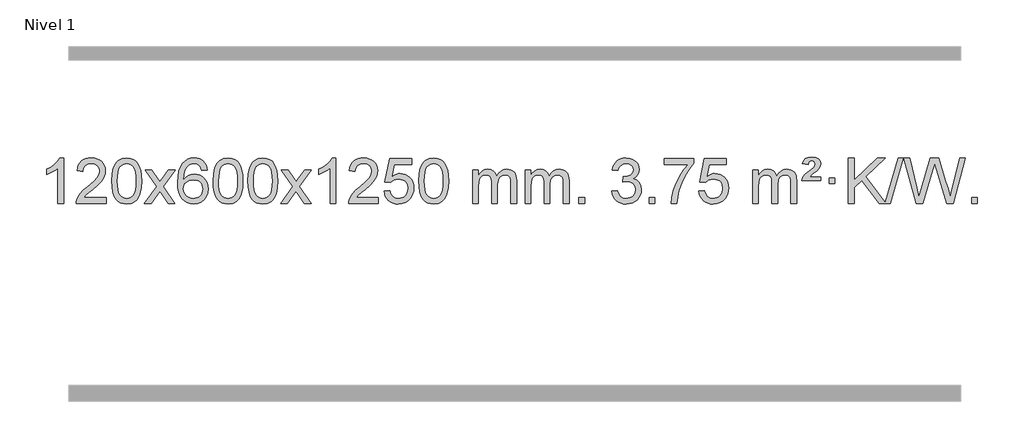
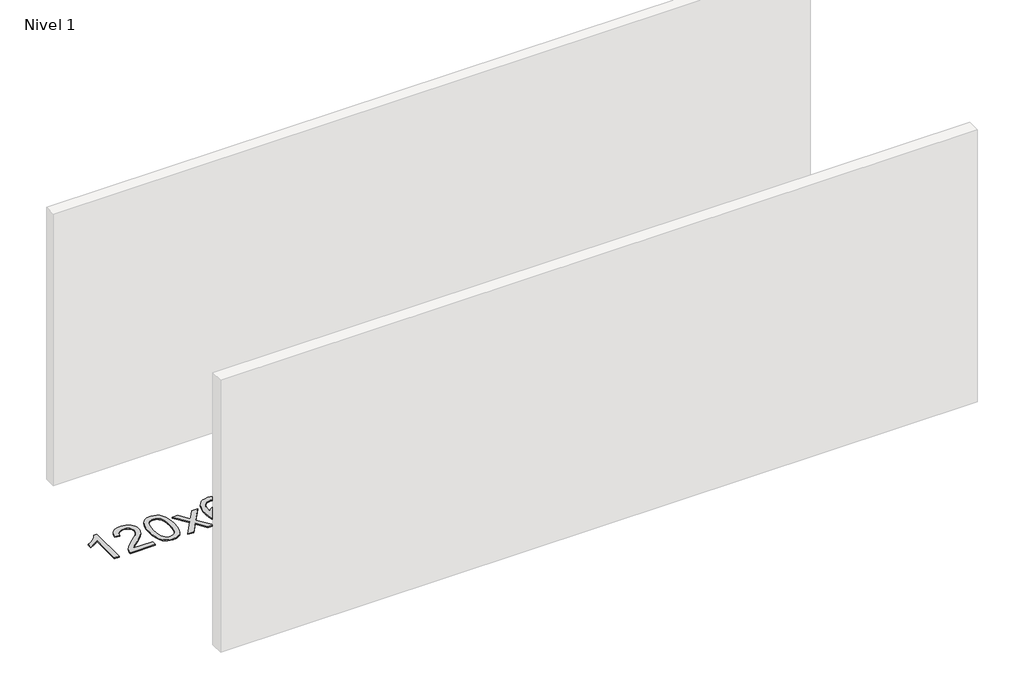
# One storey, part 4 of 9: 1 proxy.
"""IFC4 building model written with IfcOpenShell, lengths in millimetres."""

from ifc_helpers import new_model, si_unit, origin, origin_with_axes, place, context, project, spatial, polyline, outline, extrude, element, save

model = new_model("IFC4")

# Units and contexts
model_context = context("Model", 3, world=origin())
ifc_project = project(units=[si_unit("LENGTHUNIT", "METRE", prefix="MILLI")], contexts=[model_context])

# Site, building, storey
site = spatial("IfcSite", under=ifc_project)
building = spatial("IfcBuilding", under=site)
storey = spatial("IfcBuildingStorey", under=building, Name="Nivel 1", Elevation=0.0)

# Proxy
placement = place(None, origin())
element("IfcBuildingElementProxy", 1, Name="Texto de modelo 1", ObjectType="Texto de modelo 1", at=placement, inside=storey, context=model_context, shape_type="SweptSolid", body=[
    extrude(outline(polyline([(-6575.4615788, -12395.579453), (-6625.6897338, -12395.579453), (-6625.6897338, -12082.4382987), (-6646.6590076, -12099.3976587), (-6673.2691385, -12116.3324932), (-6726.146044, -12141.6918254), (-6726.146044, -12094.2105225), (-6686.6968314, -12072.7507395), (-6652.520594, -12047.219729), (-6625.5793692, -12020.0700378), (-6607.8351943, -11993.7542124), (-6575.4615788, -11993.7542124), (-6575.4615788, -12395.579453)])), origin_with_axes(), (0.0, 0.0, 1.0), 10.0),
    extrude(outline(polyline([(-6198.7504157, -12345.3512979), (-6198.7504157, -12395.579453), (-6462.4482298, -12395.579453), (-6461.3445839, -12377.8965918), (-6457.0526273, -12360.9494945), (-6444.6672667, -12333.8856424), (-6426.5429471, -12307.6311307), (-6400.3252236, -12280.1503456), (-6363.6596514, -12249.4076736), (-6309.4583708, -12201.2641831), (-6276.9376024, -12165.7267824), (-6260.6772182, -12136.884834), (-6255.2570902, -12108.8277005), (-6260.3706499, -12083.6768347), (-6275.7113291, -12062.7688747), (-6299.292565, -12048.6789943), (-6329.1277948, -12043.9823675), (-6360.4590781, -12048.5686297), (-6384.8006034, -12062.3274163), (-6400.5091646, -12084.1796068), (-6405.9415554, -12113.0460807), (-6456.1697105, -12106.7675613), (-6451.8501627, -12080.838012), (-6443.9928164, -12058.1826125), (-6432.5976716, -12038.8013627), (-6417.6647283, -12022.6942627), (-6399.537343, -12010.0329907), (-6378.5588722, -12000.989225), (-6354.729316, -11995.5629655), (-6328.0486743, -11993.7542124), (-6301.1289093, -11995.7653006), (-6277.1705943, -12001.7985654), (-6256.1737295, -12011.8540066), (-6238.1383147, -12025.9316242), (-6223.6529611, -12042.9890861), (-6213.30628, -12061.9840598), (-6207.0982713, -12082.9165453), (-6205.0289351, -12105.7865427), (-6207.2607525, -12129.8092369), (-6213.9562048, -12153.4149983), (-6225.8387933, -12177.4254299), (-6243.6320191, -12202.6621347), (-6271.9957209, -12232.7916701), (-6315.5897374, -12271.4805933), (-6373.3717361, -12319.795762), (-6396.033267, -12345.3512979), (-6198.7504157, -12345.3512979)])), origin_with_axes(), (0.0, 0.0, 1.0), 10.0),
    extrude(outline(polyline([(-6148.5222606, -12197.9041943), (-6144.8311779, -12133.5861588), (-6133.7579299, -12082.2911459), (-6115.4128811, -12043.2343407), (-6103.5548181, -12028.0009605), (-6089.9063961, -12015.6309284), (-6074.4216298, -12006.0598651), (-6057.0545339, -11999.2233914), (-6016.6733536, -11993.7542124), (-5985.722215, -11996.991574), (-5958.0084381, -12006.7036586), (-5934.8318724, -12022.5103217), (-5917.4923677, -12044.0314184), (-5904.3957686, -12071.0830078), (-5893.94792, -12103.4811488), (-5887.1053149, -12144.6226186), (-5884.8244465, -12197.9041943), (-5888.478741, -12261.8543477), (-5899.4416244, -12313.0267333), (-5917.6763087, -12352.1203266), (-5929.5067805, -12367.3996922), (-5943.1460055, -12379.8341036), (-5958.6491659, -12389.4695462), (-5976.071444, -12396.3520052), (-6016.6733536, -12401.8579724), (-6044.3380796, -12399.4667394), (-6068.8635459, -12392.2930405), (-6090.2497526, -12380.3368757), (-6108.4966996, -12363.5982449), (-6126.0078825, -12333.3399508), (-6138.5158704, -12295.6381776), (-6146.0206631, -12250.4929255), (-6148.5222606, -12197.9041943)]), holes=[polyline([(-6098.2941056, -12197.8060924), (-6096.8225776, -12241.4706195), (-6092.4079936, -12276.8148822), (-6085.0503537, -12303.8388804), (-6074.7496579, -12322.5426142), (-6062.290721, -12335.2682656), (-6048.4583579, -12344.3580165), (-6033.2525688, -12349.8118671), (-6016.6733536, -12351.6298173), (-6000.0941383, -12349.8057357), (-5984.8883492, -12344.3334911), (-5971.0559862, -12335.2130833), (-5958.5970493, -12322.4445124), (-5948.2963534, -12303.7101217), (-5940.9387135, -12276.6922549), (-5936.5241295, -12241.3909118), (-5935.0526016, -12197.8060924), (-5936.4750786, -12155.2973278), (-5940.7425098, -12120.5753989), (-5947.854895, -12093.6403055), (-5957.8122343, -12074.4920476), (-5970.0627048, -12061.1440625), (-5984.0544833, -12051.6097875), (-5999.78757, -12045.8892225), (-6017.2619648, -12043.9823675), (-6033.7553409, -12045.6623619), (-6048.7036126, -12050.7023452), (-6062.10678, -12059.1023175), (-6073.9648429, -12070.8622786), (-6084.6088953, -12091.708925), (-6092.2117899, -12119.8151094), (-6096.7735266, -12155.1808319), (-6098.2941056, -12197.8060924)])]), origin_with_axes(), (0.0, 0.0, 1.0), 10.0),
    extrude(outline(polyline([(-5859.7103689, -12395.579453), (-5752.3869282, -12247.2494325), (-5853.4318496, -12100.4890419), (-5793.0011005, -12100.4890419), (-5744.2444734, -12171.122385), (-5721.4848406, -12204.4770192), (-5701.7663657, -12177.2047007), (-5646.2407099, -12100.4890419), (-5585.8099608, -12100.4890419), (-5691.9561791, -12247.2494325), (-5589.7340354, -12395.579453), (-5650.1647845, -12395.579453), (-5711.6746541, -12306.4048574), (-5722.9563686, -12290.1199477), (-5799.2796199, -12395.579453), (-5859.7103689, -12395.579453)])), origin_with_axes(), (0.0, 0.0, 1.0), 10.0),
    extrude(outline(polyline([(-5300.9221437, -12100.4890419), (-5351.1502988, -12106.7675613), (-5359.2437027, -12081.874213), (-5370.1820607, -12064.8780648), (-5392.9662189, -12049.2062918), (-5420.5083176, -12043.9823675), (-5443.8565616, -12047.0235253), (-5465.8313794, -12056.1469988), (-5484.7037258, -12075.3627017), (-5500.1179814, -12101.8134171), (-5510.5290419, -12139.227016), (-5514.3918028, -12191.3313693), (-5494.2441322, -12167.8237098), (-5470.0988106, -12151.2567573), (-5443.3047386, -12141.434308), (-5415.2108169, -12138.1601582), (-5391.077758, -12140.398107), (-5368.8086346, -12147.1119534), (-5348.4034466, -12158.3016975), (-5329.862194, -12173.9673391), (-5314.4540698, -12193.1769106), (-5303.4482668, -12214.9984443), (-5296.844785, -12239.4319401), (-5294.6436244, -12266.4773982), (-5298.7884282, -12302.4439945), (-5311.2228396, -12335.786366), (-5330.9167891, -12364.0642287), (-5356.840207, -12384.8372987), (-5387.815871, -12397.602804), (-5422.6665587, -12401.8579724), (-5452.6090874, -12399.0375437), (-5479.6514797, -12390.5762579), (-5503.7937357, -12376.4741147), (-5525.0358552, -12356.7311143), (-5542.3539001, -12330.5133908), (-5554.7239322, -12296.9870783), (-5562.1459515, -12256.1521768), (-5564.6199579, -12208.0086864), (-5561.8731057, -12154.0342663), (-5553.632549, -12107.9693092), (-5539.8982878, -12069.8138149), (-5520.6703222, -12039.5677835), (-5499.8298072, -12019.5243462), (-5475.6660915, -12005.2076052), (-5448.179175, -11996.6175606), (-5417.3690579, -11993.7542124), (-5394.2354118, -11995.5261773), (-5373.2967949, -12000.8420722), (-5354.5532073, -12009.7018969), (-5338.0046489, -12022.1056515), (-5324.0987094, -12037.6364031), (-5313.2829788, -12055.8772186), (-5305.5574569, -12076.8280983), (-5300.9221437, -12100.4890419)]), holes=[polyline([(-5514.3918028, -12265.6925832), (-5511.485535, -12287.9494439), (-5502.7667318, -12309.2007605), (-5489.2286743, -12327.472233), (-5471.8646442, -12340.7895612), (-5450.9076332, -12348.9197533), (-5426.5906333, -12351.6298173), (-5393.4444655, -12346.0134855), (-5379.5293291, -12338.9930708), (-5367.3861575, -12329.1644901), (-5357.5361171, -12316.9262824), (-5350.500374, -12302.6769865), (-5344.8717794, -12268.1451299), (-5350.4267976, -12234.9989621), (-5357.3705702, -12221.3781312), (-5367.0918519, -12209.725469), (-5379.2718117, -12200.3904634), (-5393.5916183, -12193.7226022), (-5428.6507725, -12188.3883133), (-5461.7478893, -12193.7226022), (-5489.4248781, -12209.725469), (-5500.3479076, -12221.2248471), (-5508.1500716, -12234.3858254), (-5512.83137, -12249.2084042), (-5514.3918028, -12265.6925832)])]), origin_with_axes(), (0.0, 0.0, 1.0), 10.0),
    extrude(outline(polyline([(-5250.6939887, -12197.9041943), (-5247.002906, -12133.5861588), (-5235.9296579, -12082.2911459), (-5217.5846091, -12043.2343407), (-5205.7265461, -12028.0009605), (-5192.0781241, -12015.6309284), (-5176.5933578, -12006.0598651), (-5159.2262619, -11999.2233914), (-5118.8450816, -11993.7542124), (-5087.8939431, -11996.991574), (-5060.1801661, -12006.7036586), (-5037.0036004, -12022.5103217), (-5019.6640957, -12044.0314184), (-5006.5674967, -12071.0830078), (-4996.119648, -12103.4811488), (-4989.2770429, -12144.6226186), (-4986.9961745, -12197.9041943), (-4990.650469, -12261.8543477), (-5001.6133525, -12313.0267333), (-5019.8480367, -12352.1203266), (-5031.6785085, -12367.3996922), (-5045.3177335, -12379.8341036), (-5060.8208939, -12389.4695462), (-5078.2431721, -12396.3520052), (-5118.8450816, -12401.8579724), (-5146.5098076, -12399.4667394), (-5171.035274, -12392.2930405), (-5192.4214806, -12380.3368757), (-5210.6684276, -12363.5982449), (-5228.1796106, -12333.3399508), (-5240.6875984, -12295.6381776), (-5248.1923911, -12250.4929255), (-5250.6939887, -12197.9041943)]), holes=[polyline([(-5200.4658336, -12197.8060924), (-5198.9943056, -12241.4706195), (-5194.5797217, -12276.8148822), (-5187.2220818, -12303.8388804), (-5176.9213859, -12322.5426142), (-5164.462449, -12335.2682656), (-5150.630086, -12344.3580165), (-5135.4242968, -12349.8118671), (-5118.8450816, -12351.6298173), (-5102.2658663, -12349.8057357), (-5087.0600772, -12344.3334911), (-5073.2277142, -12335.2130833), (-5060.7687773, -12322.4445124), (-5050.4680814, -12303.7101217), (-5043.1104415, -12276.6922549), (-5038.6958576, -12241.3909118), (-5037.2243296, -12197.8060924), (-5038.6468066, -12155.2973278), (-5042.9142378, -12120.5753989), (-5050.026623, -12093.6403055), (-5059.9839624, -12074.4920476), (-5072.2344328, -12061.1440625), (-5086.2262114, -12051.6097875), (-5101.959298, -12045.8892225), (-5119.4336928, -12043.9823675), (-5135.9270689, -12045.6623619), (-5150.8753406, -12050.7023452), (-5164.278508, -12059.1023175), (-5176.136571, -12070.8622786), (-5186.7806234, -12091.708925), (-5194.3835179, -12119.8151094), (-5198.9452547, -12155.1808319), (-5200.4658336, -12197.8060924)])]), origin_with_axes(), (0.0, 0.0, 1.0), 10.0),
    extrude(outline(polyline([(-4943.0465388, -12197.9041943), (-4939.3554561, -12133.5861588), (-4928.2822081, -12082.2911459), (-4909.9371593, -12043.2343407), (-4898.0790963, -12028.0009605), (-4884.4306743, -12015.6309284), (-4868.945908, -12006.0598651), (-4851.5788121, -11999.2233914), (-4811.1976318, -11993.7542124), (-4780.2464932, -11996.991574), (-4752.5327163, -12006.7036586), (-4729.3561506, -12022.5103217), (-4712.0166459, -12044.0314184), (-4698.9200468, -12071.0830078), (-4688.4721982, -12103.4811488), (-4681.6295931, -12144.6226186), (-4679.3487247, -12197.9041943), (-4683.0030192, -12261.8543477), (-4693.9659026, -12313.0267333), (-4712.2005869, -12352.1203266), (-4724.0310587, -12367.3996922), (-4737.6702837, -12379.8341036), (-4753.1734441, -12389.4695462), (-4770.5957222, -12396.3520052), (-4811.1976318, -12401.8579724), (-4838.8623578, -12399.4667394), (-4863.3878241, -12392.2930405), (-4884.7740308, -12380.3368757), (-4903.0209778, -12363.5982449), (-4920.5321607, -12333.3399508), (-4933.0401486, -12295.6381776), (-4940.5449413, -12250.4929255), (-4943.0465388, -12197.9041943)]), holes=[polyline([(-4892.8183838, -12197.8060924), (-4891.3468558, -12241.4706195), (-4886.9322718, -12276.8148822), (-4879.5746319, -12303.8388804), (-4869.2739361, -12322.5426142), (-4856.8149992, -12335.2682656), (-4842.9826361, -12344.3580165), (-4827.776847, -12349.8118671), (-4811.1976318, -12351.6298173), (-4794.6184165, -12349.8057357), (-4779.4126274, -12344.3334911), (-4765.5802644, -12335.2130833), (-4753.1213275, -12322.4445124), (-4742.8206316, -12303.7101217), (-4735.4629917, -12276.6922549), (-4731.0484077, -12241.3909118), (-4729.5768798, -12197.8060924), (-4730.9993568, -12155.2973278), (-4735.266788, -12120.5753989), (-4742.3791732, -12093.6403055), (-4752.3365125, -12074.4920476), (-4764.586983, -12061.1440625), (-4778.5787615, -12051.6097875), (-4794.3118482, -12045.8892225), (-4811.786243, -12043.9823675), (-4828.2796191, -12045.6623619), (-4843.2278908, -12050.7023452), (-4856.6310582, -12059.1023175), (-4868.4891211, -12070.8622786), (-4879.1331735, -12091.708925), (-4886.7360681, -12119.8151094), (-4891.2978048, -12155.1808319), (-4892.8183838, -12197.8060924)])]), origin_with_axes(), (0.0, 0.0, 1.0), 10.0),
    extrude(outline(polyline([(-4654.2346472, -12395.579453), (-4546.9112064, -12247.2494325), (-4647.9561278, -12100.4890419), (-4587.5253787, -12100.4890419), (-4538.7687516, -12171.122385), (-4516.0091188, -12204.4770192), (-4496.2906439, -12177.2047007), (-4440.7649881, -12100.4890419), (-4380.334239, -12100.4890419), (-4486.4804574, -12247.2494325), (-4384.2583136, -12395.579453), (-4444.6890627, -12395.579453), (-4506.1989323, -12306.4048574), (-4517.4806468, -12290.1199477), (-4593.8038981, -12395.579453), (-4654.2346472, -12395.579453)])), origin_with_axes(), (0.0, 0.0, 1.0), 10.0),
    extrude(outline(polyline([(-4164.5101352, -12395.579453), (-4214.7382902, -12395.579453), (-4214.7382902, -12082.4382987), (-4235.707564, -12099.3976587), (-4262.317695, -12116.3324932), (-4315.1946004, -12141.6918254), (-4315.1946004, -12094.2105225), (-4275.7453878, -12072.7507395), (-4241.5691504, -12047.219729), (-4214.6279257, -12020.0700378), (-4196.8837508, -11993.7542124), (-4164.5101352, -11993.7542124), (-4164.5101352, -12395.579453)])), origin_with_axes(), (0.0, 0.0, 1.0), 10.0),
    extrude(outline(polyline([(-3787.7989721, -12345.3512979), (-3787.7989721, -12395.579453), (-4051.4967863, -12395.579453), (-4050.3931403, -12377.8965918), (-4046.1011837, -12360.9494945), (-4033.7158232, -12333.8856424), (-4015.5915035, -12307.6311307), (-3989.37378, -12280.1503456), (-3952.7082078, -12249.4076736), (-3898.5069272, -12201.2641831), (-3865.9861588, -12165.7267824), (-3849.7257746, -12136.884834), (-3844.3056466, -12108.8277005), (-3849.4192063, -12083.6768347), (-3864.7598855, -12062.7688747), (-3888.3411214, -12048.6789943), (-3918.1763512, -12043.9823675), (-3949.5076345, -12048.5686297), (-3973.8491598, -12062.3274163), (-3989.557721, -12084.1796068), (-3994.9901118, -12113.0460807), (-4045.2182669, -12106.7675613), (-4040.8987191, -12080.838012), (-4033.0413728, -12058.1826125), (-4021.646228, -12038.8013627), (-4006.7132847, -12022.6942627), (-3988.5858994, -12010.0329907), (-3967.6074286, -12000.989225), (-3943.7778724, -11995.5629655), (-3917.0972307, -11993.7542124), (-3890.1774657, -11995.7653006), (-3866.2191508, -12001.7985654), (-3845.2222859, -12011.8540066), (-3827.1868711, -12025.9316242), (-3812.7015175, -12042.9890861), (-3802.3548364, -12061.9840598), (-3796.1468277, -12082.9165453), (-3794.0774915, -12105.7865427), (-3796.3093089, -12129.8092369), (-3803.0047612, -12153.4149983), (-3814.8873497, -12177.4254299), (-3832.6805755, -12202.6621347), (-3861.0442774, -12232.7916701), (-3904.6382938, -12271.4805933), (-3962.4202925, -12319.795762), (-3985.0818234, -12345.3512979), (-3787.7989721, -12345.3512979)])), origin_with_axes(), (0.0, 0.0, 1.0), 10.0),
    extrude(outline(polyline([(-3737.570817, -12288.8446235), (-3687.342662, -12282.5661041), (-3678.1210866, -12312.7201649), (-3662.0323807, -12334.3148381), (-3639.1501206, -12347.3010725), (-3609.5478827, -12351.6298173), (-3590.418019, -12350.1245668), (-3573.5444981, -12345.6088153), (-3558.9273202, -12338.0825628), (-3546.5664851, -12327.5458094), (-3536.7379045, -12314.519721), (-3529.7174898, -12299.5254641), (-3524.101158, -12263.6324441), (-3529.3618705, -12229.8363514), (-3535.9377612, -12215.9181493), (-3545.1440081, -12203.9865099), (-3557.0112681, -12194.4154467), (-3571.5701981, -12187.5789729), (-3608.7630678, -12182.1097939), (-3633.1291186, -12184.2925604), (-3652.8598563, -12190.8408599), (-3668.6174684, -12200.8717757), (-3681.0641426, -12213.5023908), (-3731.2922977, -12207.2238715), (-3687.342662, -12000.0327318), (-3492.708561, -12000.0327318), (-3492.708561, -12050.2608869), (-3646.7284897, -12050.2608869), (-3668.2127982, -12160.919791), (-3650.4870174, -12148.2155994), (-3632.332041, -12139.1411769), (-3613.7478688, -12133.6965234), (-3594.734501, -12131.8816388), (-3570.273414, -12134.1318504), (-3547.8050212, -12140.882485), (-3527.3293225, -12152.1335427), (-3508.8463179, -12167.8850234), (-3493.5454926, -12187.1743027), (-3482.6163316, -12209.038756), (-3476.0588351, -12233.4783832), (-3473.8730029, -12260.4931844), (-3475.8411716, -12286.5147042), (-3481.7456776, -12310.7213394), (-3491.586521, -12333.1130902), (-3505.3637017, -12353.6899565), (-3526.2348735, -12374.7634634), (-3550.5886616, -12389.8159684), (-3578.4250659, -12398.8474714), (-3609.7440864, -12401.8579724), (-3635.6644387, -12399.9235262), (-3659.077062, -12394.1201877), (-3679.9819564, -12384.447957), (-3698.3791218, -12370.9068338), (-3713.6860785, -12354.1712688), (-3725.3203466, -12334.915712), (-3733.2819261, -12313.1401636), (-3737.570817, -12288.8446235)])), origin_with_axes(), (0.0, 0.0, 1.0), 10.0),
    extrude(outline(polyline([(-3429.9233672, -12197.9041943), (-3426.2322845, -12133.5861588), (-3415.1590365, -12082.2911459), (-3396.8139876, -12043.2343407), (-3384.9559247, -12028.0009605), (-3371.3075026, -12015.6309284), (-3355.8227363, -12006.0598651), (-3338.4556405, -11999.2233914), (-3298.0744601, -11993.7542124), (-3267.1233216, -11996.991574), (-3239.4095446, -12006.7036586), (-3216.2329789, -12022.5103217), (-3198.8934742, -12044.0314184), (-3185.7968752, -12071.0830078), (-3175.3490265, -12103.4811488), (-3168.5064214, -12144.6226186), (-3166.2255531, -12197.9041943), (-3169.8798475, -12261.8543477), (-3180.842731, -12313.0267333), (-3199.0774152, -12352.1203266), (-3210.9078871, -12367.3996922), (-3224.547112, -12379.8341036), (-3240.0502724, -12389.4695462), (-3257.4725506, -12396.3520052), (-3298.0744601, -12401.8579724), (-3325.7391862, -12399.4667394), (-3350.2646525, -12392.2930405), (-3371.6508592, -12380.3368757), (-3389.8978061, -12363.5982449), (-3407.4089891, -12333.3399508), (-3419.9169769, -12295.6381776), (-3427.4217696, -12250.4929255), (-3429.9233672, -12197.9041943)]), holes=[polyline([(-3379.6952121, -12197.8060924), (-3378.2236842, -12241.4706195), (-3373.8091002, -12276.8148822), (-3366.4514603, -12303.8388804), (-3356.1507644, -12322.5426142), (-3343.6918275, -12335.2682656), (-3329.8594645, -12344.3580165), (-3314.6536754, -12349.8118671), (-3298.0744601, -12351.6298173), (-3281.4952449, -12349.8057357), (-3266.2894558, -12344.3334911), (-3252.4570927, -12335.2130833), (-3239.9981558, -12322.4445124), (-3229.69746, -12303.7101217), (-3222.3398201, -12276.6922549), (-3217.9252361, -12241.3909118), (-3216.4537081, -12197.8060924), (-3217.8761852, -12155.2973278), (-3222.1436163, -12120.5753989), (-3229.2560016, -12093.6403055), (-3239.2133409, -12074.4920476), (-3251.4638113, -12061.1440625), (-3265.4555899, -12051.6097875), (-3281.1886766, -12045.8892225), (-3298.6630713, -12043.9823675), (-3315.1564474, -12045.6623619), (-3330.1047192, -12050.7023452), (-3343.5078865, -12059.1023175), (-3355.3659495, -12070.8622786), (-3366.0100019, -12091.708925), (-3373.6128965, -12119.8151094), (-3378.1746332, -12155.1808319), (-3379.6952121, -12197.8060924)])]), origin_with_axes(), (0.0, 0.0, 1.0), 10.0),
    extrude(outline(polyline([(-2952.755894, -12395.579453), (-2952.755894, -12100.4890419), (-2902.5277389, -12100.4890419), (-2902.5277389, -12149.0494653), (-2887.4200517, -12126.7435537), (-2867.9958823, -12109.2691589), (-2844.9174185, -12097.9751816), (-2818.8468478, -12094.2105225), (-2790.9123416, -12098.048758), (-2768.5205908, -12109.5634645), (-2751.7942228, -12127.9943524), (-2740.8558648, -12152.5811324), (-2722.5476041, -12127.0439906), (-2701.6641696, -12108.803175), (-2678.205561, -12097.8586857), (-2652.1717785, -12094.2105225), (-2632.0639617, -12095.7280358), (-2614.414823, -12100.2805755), (-2599.2243623, -12107.8681416), (-2586.4925796, -12118.4907342), (-2576.4279413, -12132.2709806), (-2569.238914, -12149.3315082), (-2564.9254976, -12169.6723168), (-2563.4876922, -12193.2934066), (-2563.4876922, -12395.579453), (-2613.7158472, -12395.579453), (-2613.7158472, -12214.875817), (-2614.8808069, -12189.8230531), (-2618.3756858, -12172.9372695), (-2624.9239854, -12161.3735121), (-2635.2492067, -12152.2868268), (-2648.5297467, -12146.4007149), (-2663.9440023, -12144.4386776), (-2691.1550072, -12149.4663982), (-2713.3382915, -12164.54956), (-2721.9436645, -12176.1194488), (-2728.0903595, -12190.7182326), (-2733.0077155, -12229.0024856), (-2733.0077155, -12395.579453), (-2783.2358706, -12395.579453), (-2783.2358706, -12209.2840106), (-2786.1421384, -12180.8835206), (-2794.8609417, -12160.6254854), (-2810.2016209, -12148.4853796), (-2832.9735164, -12144.4386776), (-2852.3241093, -12147.1364789), (-2870.1541233, -12155.2298828), (-2884.8694032, -12168.5226856), (-2894.8757934, -12186.8186835), (-2900.6147525, -12212.2025411), (-2902.5277389, -12246.7589232), (-2902.5277389, -12395.579453), (-2952.755894, -12395.579453)])), origin_with_axes(), (0.0, 0.0, 1.0), 10.0),
    extrude(outline(polyline([(-2488.1454596, -12395.579453), (-2488.1454596, -12100.4890419), (-2437.9173045, -12100.4890419), (-2437.9173045, -12149.0494653), (-2422.8096172, -12126.7435537), (-2403.3854479, -12109.2691589), (-2380.306984, -12097.9751816), (-2354.2364133, -12094.2105225), (-2326.3019071, -12098.048758), (-2303.9101564, -12109.5634645), (-2287.1837883, -12127.9943524), (-2276.2454303, -12152.5811324), (-2257.9371697, -12127.0439906), (-2237.0537351, -12108.803175), (-2213.5951266, -12097.8586857), (-2187.561344, -12094.2105225), (-2167.4535273, -12095.7280358), (-2149.8043886, -12100.2805755), (-2134.6139279, -12107.8681416), (-2121.8821452, -12118.4907342), (-2111.8175069, -12132.2709806), (-2104.6284796, -12149.3315082), (-2100.3150632, -12169.6723168), (-2098.8772577, -12193.2934066), (-2098.8772577, -12395.579453), (-2149.1054128, -12395.579453), (-2149.1054128, -12214.875817), (-2150.2703724, -12189.8230531), (-2153.7652514, -12172.9372695), (-2160.3135509, -12161.3735121), (-2170.6387722, -12152.2868268), (-2183.9193123, -12146.4007149), (-2199.3335679, -12144.4386776), (-2226.5445728, -12149.4663982), (-2248.7278571, -12164.54956), (-2257.3332301, -12176.1194488), (-2263.4799251, -12190.7182326), (-2268.3972811, -12229.0024856), (-2268.3972811, -12395.579453), (-2318.6254362, -12395.579453), (-2318.6254362, -12209.2840106), (-2321.5317039, -12180.8835206), (-2330.2505072, -12160.6254854), (-2345.5911864, -12148.4853796), (-2368.3630819, -12144.4386776), (-2387.7136749, -12147.1364789), (-2405.5436889, -12155.2298828), (-2420.2589687, -12168.5226856), (-2430.265359, -12186.8186835), (-2436.0043181, -12212.2025411), (-2437.9173045, -12246.7589232), (-2437.9173045, -12395.579453), (-2488.1454596, -12395.579453)])), origin_with_axes(), (0.0, 0.0, 1.0), 10.0),
    extrude(outline(polyline([(-2010.9779863, -12395.579453), (-2010.9779863, -12345.3512979), (-1960.7498313, -12345.3512979), (-1960.7498313, -12395.579453), (-2010.9779863, -12395.579453)])), origin_with_axes(), (0.0, 0.0, 1.0), 10.0),
    extrude(outline(polyline([(-1722.1660947, -12288.8446235), (-1671.9379396, -12282.5661041), (-1660.6930133, -12314.1303793), (-1644.2241626, -12335.4430095), (-1621.7220472, -12347.5831154), (-1592.3773268, -12351.6298173), (-1557.943572, -12346.0625364), (-1543.6697506, -12339.1034354), (-1531.3579665, -12329.3606939), (-1514.3618183, -12304.4428201), (-1508.6964356, -12274.2274455), (-1514.3127674, -12245.5449126), (-1531.1617628, -12222.2825078), (-1556.6682478, -12206.8682522), (-1588.2570484, -12201.730167), (-1623.4756181, -12207.2238715), (-1617.8838118, -12156.9957164), (-1609.8394588, -12157.5843276), (-1579.7467116, -12153.979084), (-1552.842275, -12143.1633534), (-1541.769027, -12134.9841103), (-1533.8595641, -12124.8673555), (-1529.1138863, -12112.8130888), (-1527.5319937, -12098.8213102), (-1532.118256, -12077.1285352), (-1545.8770426, -12059.5315131), (-1566.8708418, -12047.8696539), (-1593.1621417, -12043.9823675), (-1619.5024925, -12047.9064421), (-1641.035852, -12059.6786659), (-1656.7566759, -12079.299039), (-1665.6594202, -12106.7675613), (-1715.8875753, -12100.4890419), (-1709.9340183, -12076.5092672), (-1701.0987191, -12055.3867093), (-1689.3816775, -12037.1213683), (-1674.7828937, -12021.713244), (-1657.76222, -12009.4811677), (-1638.7795091, -12000.7439703), (-1617.8347608, -11995.5016519), (-1594.9279753, -11993.7542124), (-1563.3514373, -11997.2000404), (-1534.3500734, -12007.5375245), (-1509.8981834, -12023.8469596), (-1491.9700675, -12045.2086408), (-1480.9703959, -12069.8199463), (-1477.3038387, -12095.8782543), (-1480.7864549, -12120.1584659), (-1491.2343036, -12142.1823347), (-1508.5002319, -12160.9443165), (-1532.437087, -12175.4388671), (-1500.9954392, -12188.1430586), (-1477.6962461, -12209.77452), (-1463.2752719, -12239.1560286), (-1458.4682805, -12275.1103623), (-1460.8717762, -12300.5923218), (-1468.0822633, -12324.0631931), (-1480.0997418, -12345.5229762), (-1496.9242117, -12364.971671), (-1517.4213702, -12381.1094278), (-1540.4569145, -12392.636397), (-1566.0308445, -12399.5525785), (-1594.1431603, -12401.8579724), (-1619.5515435, -12399.8898037), (-1642.7035837, -12393.9852977), (-1663.599281, -12384.1444543), (-1682.2386355, -12370.3672736), (-1697.8674889, -12353.4630959), (-1709.7316832, -12334.2412617), (-1717.8312185, -12312.7017708), (-1722.1660947, -12288.8446235)])), origin_with_axes(), (0.0, 0.0, 1.0), 10.0),
    extrude(outline(polyline([(-1389.4045673, -12395.579453), (-1389.4045673, -12345.3512979), (-1339.1764122, -12345.3512979), (-1339.1764122, -12395.579453), (-1389.4045673, -12395.579453)])), origin_with_axes(), (0.0, 0.0, 1.0), 10.0),
    extrude(outline(polyline([(-1257.5556602, -12050.2608869), (-1257.5556602, -12000.0327318), (-993.8578461, -12000.0327318), (-993.8578461, -12040.646904), (-1031.4431233, -12088.214046), (-1068.6605184, -12148.7061088), (-1101.4878551, -12216.6048623), (-1125.9029569, -12286.3920768), (-1137.8713845, -12338.6067947), (-1144.5423113, -12395.579453), (-1194.7704664, -12395.579453), (-1189.3380756, -12343.8061935), (-1174.8067368, -12282.2717985), (-1151.5688574, -12217.0463207), (-1120.016845, -12154.1998132), (-1083.1795945, -12097.3865704), (-1044.0860012, -12050.2608869), (-1257.5556602, -12050.2608869)])), origin_with_axes(), (0.0, 0.0, 1.0), 10.0),
    extrude(outline(polyline([(-949.9082104, -12288.8446235), (-899.6800553, -12282.5661041), (-890.45848, -12312.7201649), (-874.369774, -12334.3148381), (-851.4875139, -12347.3010725), (-821.8852761, -12351.6298173), (-802.7554123, -12350.1245668), (-785.8818915, -12345.6088153), (-771.2647135, -12338.0825628), (-758.9038785, -12327.5458094), (-749.0752979, -12314.519721), (-742.0548831, -12299.5254641), (-736.4385513, -12263.6324441), (-741.6992639, -12229.8363514), (-748.2751545, -12215.9181493), (-757.4814014, -12203.9865099), (-769.3486615, -12194.4154467), (-783.9075914, -12187.5789729), (-821.1004611, -12182.1097939), (-845.466512, -12184.2925604), (-865.1972496, -12190.8408599), (-880.9548618, -12200.8717757), (-893.4015359, -12213.5023908), (-943.629691, -12207.2238715), (-899.6800553, -12000.0327318), (-705.0459544, -12000.0327318), (-705.0459544, -12050.2608869), (-859.065883, -12050.2608869), (-880.5501916, -12160.919791), (-862.8244108, -12148.2155994), (-844.6694343, -12139.1411769), (-826.0852622, -12133.6965234), (-807.0718944, -12131.8816388), (-782.6108074, -12134.1318504), (-760.1424145, -12140.882485), (-739.6667158, -12152.1335427), (-721.1837113, -12167.8850234), (-705.8828859, -12187.1743027), (-694.953725, -12209.038756), (-688.3962284, -12233.4783832), (-686.2103962, -12260.4931844), (-688.1785649, -12286.5147042), (-694.0830709, -12310.7213394), (-703.9239143, -12333.1130902), (-717.701095, -12353.6899565), (-738.5722669, -12374.7634634), (-762.926055, -12389.8159684), (-790.7624593, -12398.8474714), (-822.0814798, -12401.8579724), (-848.001832, -12399.9235262), (-871.4144553, -12394.1201877), (-892.3193497, -12384.447957), (-910.7165152, -12370.9068338), (-926.0234719, -12354.1712688), (-937.6577399, -12334.915712), (-945.6193195, -12313.1401636), (-949.9082104, -12288.8446235)])), origin_with_axes(), (0.0, 0.0, 1.0), 10.0),
    extrude(outline(polyline([(-472.7407372, -12395.579453), (-472.7407372, -12100.4890419), (-422.5125821, -12100.4890419), (-422.5125821, -12149.0494653), (-407.4048948, -12126.7435537), (-387.9807255, -12109.2691589), (-364.9022617, -12097.9751816), (-338.8316909, -12094.2105225), (-310.8971848, -12098.048758), (-288.505434, -12109.5634645), (-271.7790659, -12127.9943524), (-260.840708, -12152.5811324), (-242.5324473, -12127.0439906), (-221.6490127, -12108.803175), (-198.1904042, -12097.8586857), (-172.1566217, -12094.2105225), (-152.0488049, -12095.7280358), (-134.3996662, -12100.2805755), (-119.2092055, -12107.8681416), (-106.4774228, -12118.4907342), (-96.4127845, -12132.2709806), (-89.2237572, -12149.3315082), (-84.9103408, -12169.6723168), (-83.4725353, -12193.2934066), (-83.4725353, -12395.579453), (-133.7006904, -12395.579453), (-133.7006904, -12214.875817), (-134.8656501, -12189.8230531), (-138.360529, -12172.9372695), (-144.9088285, -12161.3735121), (-155.2340499, -12152.2868268), (-168.5145899, -12146.4007149), (-183.9288455, -12144.4386776), (-211.1398504, -12149.4663982), (-233.3231347, -12164.54956), (-241.9285077, -12176.1194488), (-248.0752027, -12190.7182326), (-252.9925587, -12229.0024856), (-252.9925587, -12395.579453), (-303.2207138, -12395.579453), (-303.2207138, -12209.2840106), (-306.1269816, -12180.8835206), (-314.8457848, -12160.6254854), (-330.186464, -12148.4853796), (-352.9583595, -12144.4386776), (-372.3089525, -12147.1364789), (-390.1389665, -12155.2298828), (-404.8542463, -12168.5226856), (-414.8606366, -12186.8186835), (-420.5995957, -12212.2025411), (-422.5125821, -12246.7589232), (-422.5125821, -12395.579453), (-472.7407372, -12395.579453)])), origin_with_axes(), (0.0, 0.0, 1.0), 10.0),
    extrude(outline(polyline([(-39.5228997, -12194.6668327), (-35.6969269, -12178.8479069), (-27.3582683, -12162.9799302), (-5.8494344, -12137.8413272), (26.1072483, -12110.1030247), (70.2530877, -12072.726214), (77.3899984, -12061.1992448), (79.7689686, -12049.3779701), (77.8805077, -12037.2869152), (72.215125, -12027.5012541), (62.8463969, -12021.026531), (49.8478997, -12018.8682899), (37.4134883, -12020.4869707), (28.5597949, -12025.343013), (22.1341227, -12034.8098431), (16.9837748, -12050.2608869), (-33.2443803, -12043.9823675), (-22.4041241, -12018.7701881), (-5.775858, -12001.2099542), (17.9893189, -11990.9092583), (50.2403072, -11987.475693), (86.0229626, -11991.6082341), (110.7691581, -12004.0058573), (125.1901323, -12022.3386434), (129.9971237, -12044.2766731), (125.9013708, -12067.1834586), (113.6141122, -12088.8149199), (93.0862969, -12108.6314968), (56.6169284, -12136.6886303), (31.0123416, -12163.2742358), (129.9971237, -12163.2742358), (129.9971237, -12194.6668327), (-39.5228997, -12194.6668327)])), origin_with_axes(), (0.0, 0.0, 1.0), 10.0),
    extrude(outline(polyline([(205.3393563, -12219.7809102), (205.3393563, -12169.5527552), (255.5675114, -12169.5527552), (255.5675114, -12219.7809102), (205.3393563, -12219.7809102)])), origin_with_axes(), (0.0, 0.0, 1.0), 10.0),
    extrude(outline(polyline([(646.2091394, -12395.579453), (492.7778219, -12192.9009991), (425.0875348, -12257.4520265), (425.0875348, -12395.579453), (374.8593797, -12395.579453), (374.8593797, -11993.7542124), (425.0875348, -11993.7542124), (425.0875348, -12190.4484525), (631.1014521, -11993.7542124), (701.3423877, -11993.7542124), (528.388799, -12158.9577537), (703.0424089, -12389.5349332), (814.3557366, -11993.7542124), (859.6787984, -11993.7542124), (746.6654495, -12395.579453), (707.6209071, -12395.579453), (701.3423877, -12395.579453), (646.2091394, -12395.579453)])), origin_with_axes(), (0.0, 0.0, 1.0), 10.0),
    extrude(outline(polyline([(974.1636753, -12395.579453), (864.5838917, -11993.7542124), (916.3816766, -11993.7542124), (979.9516854, -12257.844434), (999.5720585, -12339.3670841), (1020.5658576, -12267.2622131), (1100.2245723, -11993.7542124), (1174.8800919, -11993.7542124), (1232.7601925, -12192.0180823), (1257.5554389, -12265.5944814), (1275.8269114, -12339.3670841), (1294.8586732, -12260.1988788), (1359.0172932, -11993.7542124), (1410.8150781, -11993.7542124), (1301.1371926, -12395.579453), (1247.4754723, -12395.579453), (1151.1394405, -12085.5775584), (1137.6994849, -12042.3146358), (1122.5917976, -12094.4067263), (1034.7906281, -12395.579453), (974.1636753, -12395.579453)])), origin_with_axes(), (0.0, 0.0, 1.0), 10.0),
    extrude(outline(polyline([(1467.3217526, -12395.579453), (1467.3217526, -12345.3512979), (1517.5499077, -12345.3512979), (1517.5499077, -12395.579453), (1467.3217526, -12395.579453)])), origin_with_axes(), (0.0, 0.0, 1.0), 10.0),
])

save(model, "model.ifc")
